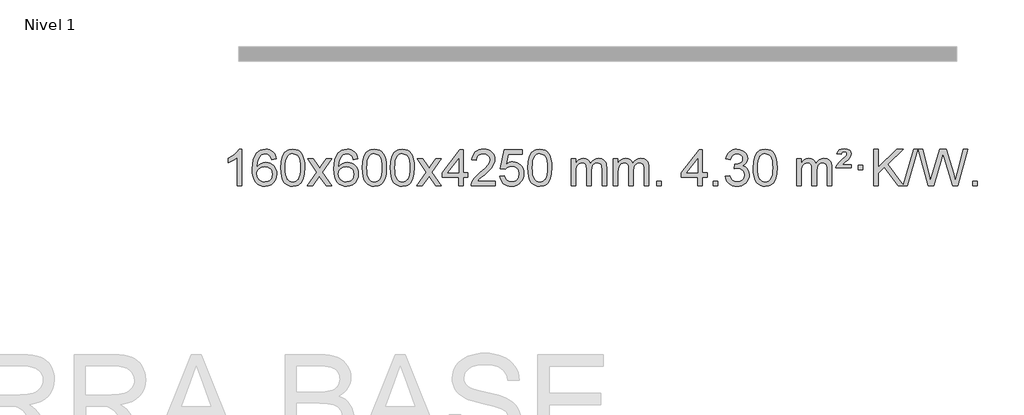
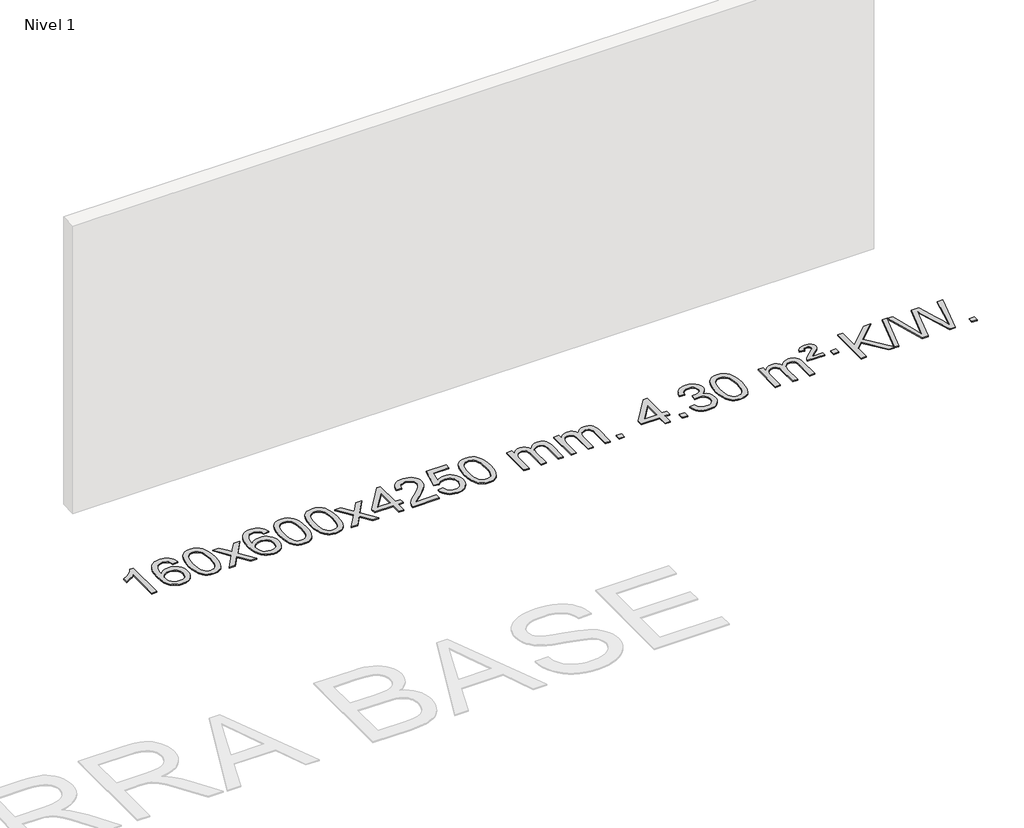
# One storey, part 7 of 25: 1 proxy.
"""IFC4 building model written with IfcOpenShell, lengths in millimetres."""

from ifc_helpers import new_model, si_unit, origin, origin_with_axes, place, context, project, spatial, polyline, outline, extrude, element, save

model = new_model("IFC4")

# Units and contexts
model_context = context("Model", 3, world=origin())
ifc_project = project(units=[si_unit("LENGTHUNIT", "METRE", prefix="MILLI")], contexts=[model_context])

# Site, building, storey
site = spatial("IfcSite", under=ifc_project)
building = spatial("IfcBuilding", under=site)
storey = spatial("IfcBuildingStorey", under=building, Name="Nivel 1", Elevation=0.0)

# Proxy
placement = place(None, origin())
element("IfcBuildingElementProxy", 1, Name="Texto de modelo 1", ObjectType="Texto de modelo 1", at=placement, inside=storey, context=model_context, shape_type="SweptSolid", body=[
    extrude(outline(polyline([(-196.9800865, -48935.579453), (-247.2082415, -48935.579453), (-247.2082415, -48622.4382987), (-268.1775153, -48639.3976587), (-294.7876462, -48656.3324932), (-347.6645517, -48681.6918254), (-347.6645517, -48634.2105225), (-308.2153391, -48612.7507395), (-274.0391017, -48587.219729), (-247.0978769, -48560.0700378), (-229.353702, -48533.7542124), (-196.9800865, -48533.7542124), (-196.9800865, -48935.579453)])), origin_with_axes(), (0.0, 0.0, 1.0), 10.0),
    extrude(outline(polyline([(179.7310766, -48640.4890419), (129.5029215, -48646.7675613), (121.4095176, -48621.874213), (110.4711596, -48604.8780648), (87.6870014, -48589.2062918), (60.1449027, -48583.9823675), (36.7966587, -48587.0235253), (14.8218409, -48596.1469988), (-4.0505055, -48615.3627017), (-19.4647611, -48641.8134171), (-29.8758215, -48679.227016), (-33.7385825, -48731.3313693), (-13.5909119, -48707.8237098), (10.5544098, -48691.2567573), (37.3484817, -48681.434308), (65.4424034, -48678.1601582), (89.5754623, -48680.398107), (111.8445858, -48687.1119534), (132.2497738, -48698.3016975), (150.7910263, -48713.9673391), (166.1991505, -48733.1769106), (177.2049536, -48754.9984443), (183.8084354, -48779.4319401), (186.009596, -48806.4773982), (181.8647922, -48842.4439945), (169.4303807, -48875.786366), (149.7364313, -48904.0642287), (123.8130133, -48924.8372987), (92.8373493, -48937.602804), (57.9866617, -48941.8579724), (28.0441329, -48939.0375437), (1.0017406, -48930.5762579), (-23.1405153, -48916.4741147), (-44.3826349, -48896.7311143), (-61.7006798, -48870.5133908), (-74.0707119, -48836.9870783), (-81.4927311, -48796.1521768), (-83.9667375, -48748.0086864), (-81.2198853, -48694.0342663), (-72.9793286, -48647.9693092), (-59.2450675, -48609.8138149), (-40.0171019, -48579.5677835), (-19.1765868, -48559.5243462), (4.9871289, -48545.2076052), (32.4740453, -48536.6175606), (63.2841624, -48533.7542124), (86.4178085, -48535.5261773), (107.3564254, -48540.8420722), (126.1000131, -48549.7018969), (142.6485715, -48562.1056515), (156.5545109, -48577.6364031), (167.3702416, -48595.8772186), (175.0957635, -48616.8280983), (179.7310766, -48640.4890419)]), holes=[polyline([(-33.7385825, -48805.6925832), (-30.8323147, -48827.9494439), (-22.1135114, -48849.2007605), (-8.575454, -48867.472233), (8.7885762, -48880.7895612), (29.7455872, -48888.9197533), (54.062587, -48891.6298173), (87.2087548, -48886.0134855), (101.1238913, -48878.9930708), (113.2670628, -48869.1644901), (123.1171032, -48856.9262824), (130.1528464, -48842.6769865), (135.7814409, -48808.1451299), (130.2264228, -48774.9989621), (123.2826501, -48761.3781312), (113.5613684, -48749.725469), (101.3814087, -48740.3904634), (87.061602, -48733.7226022), (52.0024479, -48728.3883133), (18.905331, -48733.7226022), (-8.7716577, -48749.725469), (-19.6946873, -48761.2248471), (-27.4968513, -48774.3858254), (-32.1781497, -48789.2084042), (-33.7385825, -48805.6925832)])]), origin_with_axes(), (0.0, 0.0, 1.0), 10.0),
    extrude(outline(polyline([(229.9592317, -48737.9041943), (233.6503144, -48673.5861588), (244.7235624, -48622.2911459), (263.0686112, -48583.2343407), (274.9266742, -48568.0009605), (288.5750962, -48555.6309284), (304.0598626, -48546.0598651), (321.4269584, -48539.2233914), (361.8081387, -48533.7542124), (392.7592773, -48536.991574), (420.4730542, -48546.7036586), (443.6496199, -48562.5103217), (460.9891246, -48584.0314184), (474.0857237, -48611.0830078), (484.5335723, -48643.4811488), (491.3761774, -48684.6226186), (493.6570458, -48737.9041943), (490.0027513, -48801.8543477), (479.0398679, -48853.0267333), (460.8051836, -48892.1203266), (448.9747118, -48907.3996922), (435.3354868, -48919.8341036), (419.8323264, -48929.4695462), (402.4100483, -48936.3520052), (361.8081387, -48941.8579724), (334.1434127, -48939.4667394), (309.6179464, -48932.2930405), (288.2317397, -48920.3368757), (269.9847927, -48903.5982449), (252.4736098, -48873.3399508), (239.9656219, -48835.6381776), (232.4608292, -48790.4929255), (229.9592317, -48737.9041943)]), holes=[polyline([(280.1873867, -48737.8060924), (281.6589147, -48781.4706195), (286.0734987, -48816.8148822), (293.4311386, -48843.8388804), (303.7318344, -48862.5426142), (316.1907713, -48875.2682656), (330.0231344, -48884.3580165), (345.2289235, -48889.8118671), (361.8081387, -48891.6298173), (378.387354, -48889.8057357), (393.5931431, -48884.3334911), (407.4255061, -48875.2130833), (419.8844431, -48862.4445124), (430.1851389, -48843.7101217), (437.5427788, -48816.6922549), (441.9573628, -48781.3909118), (443.4288907, -48737.8060924), (442.0064137, -48695.2973278), (437.7389826, -48660.5753989), (430.6265973, -48633.6403055), (420.669258, -48614.4920476), (408.4187875, -48601.1440625), (394.427009, -48591.6097875), (378.6939223, -48585.8892225), (361.2195276, -48583.9823675), (344.7261514, -48585.6623619), (329.7778797, -48590.7023452), (316.3747123, -48599.1023175), (304.5166494, -48610.8622786), (293.872597, -48631.708925), (286.2697024, -48659.8151094), (281.7079657, -48695.1808319), (280.1873867, -48737.8060924)])]), origin_with_axes(), (0.0, 0.0, 1.0), 10.0),
    extrude(outline(polyline([(518.7711234, -48935.579453), (626.0945641, -48787.1513307), (525.0496427, -48640.4890419), (585.2841881, -48640.4890419), (634.0408152, -48711.2204869), (656.8985498, -48744.4770192), (676.7151266, -48717.2047007), (732.2407824, -48640.4890419), (792.6715315, -48640.4890419), (686.5253132, -48787.2494325), (788.7474569, -48935.579453), (728.4148097, -48935.579453), (666.8068382, -48846.3067555), (655.6232256, -48829.923744), (579.2018724, -48935.579453), (518.7711234, -48935.579453)])), origin_with_axes(), (0.0, 0.0, 1.0), 10.0),
    extrude(outline(polyline([(1077.5593486, -48640.4890419), (1027.3311935, -48646.7675613), (1019.2377896, -48621.874213), (1008.2994316, -48604.8780648), (985.5152734, -48589.2062918), (957.9731747, -48583.9823675), (934.6249307, -48587.0235253), (912.6501129, -48596.1469988), (893.7777665, -48615.3627017), (878.3635109, -48641.8134171), (867.9524504, -48679.227016), (864.0896895, -48731.3313693), (884.2373601, -48707.8237098), (908.3826817, -48691.2567573), (935.1767537, -48681.434308), (963.2706754, -48678.1601582), (987.4037343, -48680.398107), (1009.6728577, -48687.1119534), (1030.0780457, -48698.3016975), (1048.6192983, -48713.9673391), (1064.0274225, -48733.1769106), (1075.0332255, -48754.9984443), (1081.6367073, -48779.4319401), (1083.8378679, -48806.4773982), (1079.6930641, -48842.4439945), (1067.2586527, -48875.786366), (1047.5647032, -48904.0642287), (1021.6412853, -48924.8372987), (990.6656213, -48937.602804), (955.8149336, -48941.8579724), (925.8724049, -48939.0375437), (898.8300126, -48930.5762579), (874.6877566, -48916.4741147), (853.4456371, -48896.7311143), (836.1275922, -48870.5133908), (823.7575601, -48836.9870783), (816.3355408, -48796.1521768), (813.8615344, -48748.0086864), (816.6083866, -48694.0342663), (824.8489433, -48647.9693092), (838.5832045, -48609.8138149), (857.8111701, -48579.5677835), (878.6516851, -48559.5243462), (902.8154009, -48545.2076052), (930.3023173, -48536.6175606), (961.1124344, -48533.7542124), (984.2460805, -48535.5261773), (1005.1846974, -48540.8420722), (1023.928285, -48549.7018969), (1040.4768434, -48562.1056515), (1054.3827829, -48577.6364031), (1065.1985135, -48595.8772186), (1072.9240354, -48616.8280983), (1077.5593486, -48640.4890419)]), holes=[polyline([(864.0896895, -48805.6925832), (866.9959573, -48827.9494439), (875.7147605, -48849.2007605), (889.252818, -48867.472233), (906.6168481, -48880.7895612), (927.5738591, -48888.9197533), (951.890859, -48891.6298173), (985.0370268, -48886.0134855), (998.9521632, -48878.9930708), (1011.0953348, -48869.1644901), (1020.9453752, -48856.9262824), (1027.9811183, -48842.6769865), (1033.6097129, -48808.1451299), (1028.0546947, -48774.9989621), (1021.1109221, -48761.3781312), (1011.3896404, -48749.725469), (999.2096806, -48740.3904634), (984.889874, -48733.7226022), (949.8307198, -48728.3883133), (916.733603, -48733.7226022), (889.0566142, -48749.725469), (878.1335847, -48761.2248471), (870.3314207, -48774.3858254), (865.6501223, -48789.2084042), (864.0896895, -48805.6925832)])]), origin_with_axes(), (0.0, 0.0, 1.0), 10.0),
    extrude(outline(polyline([(1127.7875036, -48737.9041943), (1131.4785863, -48673.5861588), (1142.5518344, -48622.2911459), (1160.8968832, -48583.2343407), (1172.7549462, -48568.0009605), (1186.4033682, -48555.6309284), (1201.8881345, -48546.0598651), (1219.2552304, -48539.2233914), (1259.6364107, -48533.7542124), (1290.5875492, -48536.991574), (1318.3013262, -48546.7036586), (1341.4778919, -48562.5103217), (1358.8173966, -48584.0314184), (1371.9139956, -48611.0830078), (1382.3618443, -48643.4811488), (1389.2044494, -48684.6226186), (1391.4853178, -48737.9041943), (1387.8310233, -48801.8543477), (1376.8681398, -48853.0267333), (1358.6334556, -48892.1203266), (1346.8029838, -48907.3996922), (1333.1637588, -48919.8341036), (1317.6605984, -48929.4695462), (1300.2383202, -48936.3520052), (1259.6364107, -48941.8579724), (1231.9716847, -48939.4667394), (1207.4462183, -48932.2930405), (1186.0600117, -48920.3368757), (1167.8130647, -48903.5982449), (1150.3018817, -48873.3399508), (1137.7938939, -48835.6381776), (1130.2891012, -48790.4929255), (1127.7875036, -48737.9041943)]), holes=[polyline([(1178.0156587, -48737.8060924), (1179.4871867, -48781.4706195), (1183.9017706, -48816.8148822), (1191.2594105, -48843.8388804), (1201.5601064, -48862.5426142), (1214.0190433, -48875.2682656), (1227.8514063, -48884.3580165), (1243.0571955, -48889.8118671), (1259.6364107, -48891.6298173), (1276.215626, -48889.8057357), (1291.4214151, -48884.3334911), (1305.2537781, -48875.2130833), (1317.712715, -48862.4445124), (1328.0134109, -48843.7101217), (1335.3710508, -48816.6922549), (1339.7856347, -48781.3909118), (1341.2571627, -48737.8060924), (1339.8346857, -48695.2973278), (1335.5672545, -48660.5753989), (1328.4548693, -48633.6403055), (1318.4975299, -48614.4920476), (1306.2470595, -48601.1440625), (1292.2552809, -48591.6097875), (1276.5221943, -48585.8892225), (1259.0477995, -48583.9823675), (1242.5544234, -48585.6623619), (1227.6061517, -48590.7023452), (1214.2029843, -48599.1023175), (1202.3449213, -48610.8622786), (1191.7008689, -48631.708925), (1184.0979744, -48659.8151094), (1179.5362376, -48695.1808319), (1178.0156587, -48737.8060924)])]), origin_with_axes(), (0.0, 0.0, 1.0), 10.0),
    extrude(outline(polyline([(1435.4349535, -48737.9041943), (1439.1260362, -48673.5861588), (1450.1992842, -48622.2911459), (1468.544333, -48583.2343407), (1480.402396, -48568.0009605), (1494.050818, -48555.6309284), (1509.5355843, -48546.0598651), (1526.9026802, -48539.2233914), (1567.2838605, -48533.7542124), (1598.2349991, -48536.991574), (1625.948776, -48546.7036586), (1649.1253417, -48562.5103217), (1666.4648464, -48584.0314184), (1679.5614455, -48611.0830078), (1690.0092941, -48643.4811488), (1696.8518992, -48684.6226186), (1699.1327676, -48737.9041943), (1695.4784731, -48801.8543477), (1684.5155897, -48853.0267333), (1666.2809054, -48892.1203266), (1654.4504336, -48907.3996922), (1640.8112086, -48919.8341036), (1625.3080482, -48929.4695462), (1607.8857701, -48936.3520052), (1567.2838605, -48941.8579724), (1539.6191345, -48939.4667394), (1515.0936682, -48932.2930405), (1493.7074615, -48920.3368757), (1475.4605145, -48903.5982449), (1457.9493316, -48873.3399508), (1445.4413437, -48835.6381776), (1437.936551, -48790.4929255), (1435.4349535, -48737.9041943)]), holes=[polyline([(1485.6631085, -48737.8060924), (1487.1346365, -48781.4706195), (1491.5492205, -48816.8148822), (1498.9068604, -48843.8388804), (1509.2075562, -48862.5426142), (1521.6664931, -48875.2682656), (1535.4988562, -48884.3580165), (1550.7046453, -48889.8118671), (1567.2838605, -48891.6298173), (1583.8630758, -48889.8057357), (1599.0688649, -48884.3334911), (1612.9012279, -48875.2130833), (1625.3601648, -48862.4445124), (1635.6608607, -48843.7101217), (1643.0185006, -48816.6922549), (1647.4330846, -48781.3909118), (1648.9046125, -48737.8060924), (1647.4821355, -48695.2973278), (1643.2147043, -48660.5753989), (1636.1023191, -48633.6403055), (1626.1449798, -48614.4920476), (1613.8945093, -48601.1440625), (1599.9027308, -48591.6097875), (1584.1696441, -48585.8892225), (1566.6952493, -48583.9823675), (1550.2018732, -48585.6623619), (1535.2536015, -48590.7023452), (1521.8504341, -48599.1023175), (1509.9923712, -48610.8622786), (1499.3483188, -48631.708925), (1491.7454242, -48659.8151094), (1487.1836875, -48695.1808319), (1485.6631085, -48737.8060924)])]), origin_with_axes(), (0.0, 0.0, 1.0), 10.0),
    extrude(outline(polyline([(1724.2468452, -48935.579453), (1831.5702859, -48787.1513307), (1730.5253645, -48640.4890419), (1790.7599099, -48640.4890419), (1839.516537, -48711.2204869), (1862.3742716, -48744.4770192), (1882.1908484, -48717.2047007), (1937.7165042, -48640.4890419), (1998.1472533, -48640.4890419), (1892.001035, -48787.2494325), (1994.2231787, -48935.579453), (1933.8905315, -48935.579453), (1872.28256, -48846.3067555), (1861.0989474, -48829.923744), (1784.6775942, -48935.579453), (1724.2468452, -48935.579453)])), origin_with_axes(), (0.0, 0.0, 1.0), 10.0),
    extrude(outline(polyline([(2188.8572796, -48935.579453), (2188.8572796, -48841.4016622), (2006.7802174, -48841.4016622), (2006.7802174, -48791.1735072), (2201.4143184, -48540.0327318), (2239.0854347, -48540.0327318), (2239.0854347, -48791.1735072), (2289.3135897, -48791.1735072), (2289.3135897, -48841.4016622), (2239.0854347, -48841.4016622), (2239.0854347, -48935.579453), (2188.8572796, -48935.579453)]), holes=[polyline([(2188.8572796, -48791.1735072), (2188.8572796, -48635.9763561), (2068.5843926, -48791.1735072), (2188.8572796, -48791.1735072)])]), origin_with_axes(), (0.0, 0.0, 1.0), 10.0),
    extrude(outline(polyline([(2590.6825202, -48885.3512979), (2590.6825202, -48935.579453), (2326.984706, -48935.579453), (2328.088352, -48917.8965918), (2332.3803086, -48900.9494945), (2344.7779319, -48873.8856424), (2362.9390397, -48847.6311307), (2389.1935514, -48820.1503456), (2425.8713864, -48789.4076736), (2480.0604042, -48741.2641831), (2512.5443844, -48705.7267824), (2528.7679804, -48676.884834), (2534.1758457, -48648.8277005), (2529.062286, -48623.6768347), (2513.7216068, -48602.7688747), (2490.1403709, -48588.6789943), (2460.3051411, -48583.9823675), (2428.9738578, -48588.5686297), (2404.6323325, -48602.3274163), (2388.9237713, -48624.1796068), (2383.4913805, -48653.0460807), (2333.2632254, -48646.7675613), (2337.5827732, -48620.838012), (2345.4401195, -48598.1826125), (2356.8352643, -48578.8013627), (2371.7682076, -48562.6942627), (2389.8955929, -48550.0329907), (2410.8740637, -48540.989225), (2434.7036199, -48535.5629655), (2461.3842616, -48533.7542124), (2488.3040266, -48535.7653006), (2512.2623416, -48541.7985654), (2533.2592064, -48551.8540066), (2551.2946212, -48565.9316242), (2565.7799748, -48582.9890861), (2576.1266559, -48601.9840598), (2582.3346646, -48622.9165453), (2584.4040008, -48645.7865427), (2582.1721834, -48669.8092369), (2575.4767311, -48693.4149983), (2563.5941426, -48717.4254299), (2545.8009168, -48742.6621347), (2517.437215, -48772.7916701), (2473.8431985, -48811.4805933), (2416.0611998, -48859.795762), (2393.3996689, -48885.3512979), (2590.6825202, -48885.3512979)])), origin_with_axes(), (0.0, 0.0, 1.0), 10.0),
    extrude(outline(polyline([(2640.9106753, -48828.8446235), (2691.1388303, -48822.5661041), (2700.3604057, -48852.7201649), (2716.4491116, -48874.3148381), (2739.3313717, -48887.3010725), (2768.9336096, -48891.6298173), (2788.0634733, -48890.1245668), (2804.9369942, -48885.6088153), (2819.5541721, -48878.0825628), (2831.9150072, -48867.5458094), (2841.7435878, -48854.519721), (2848.7640025, -48839.5254641), (2854.3803343, -48803.6324441), (2849.1196218, -48769.8363514), (2842.5437311, -48755.9181493), (2833.3374842, -48743.9865099), (2821.4702242, -48734.4154467), (2806.9112942, -48727.5789729), (2769.7184245, -48722.1097939), (2745.3523737, -48724.2925604), (2725.621636, -48730.8408599), (2709.8640239, -48740.8717757), (2697.4173497, -48753.5023908), (2647.1891946, -48747.2238715), (2691.1388303, -48540.0327318), (2885.7729313, -48540.0327318), (2885.7729313, -48590.2608869), (2731.7530026, -48590.2608869), (2710.1705922, -48700.919791), (2727.896373, -48688.2155994), (2746.0513495, -48679.1411769), (2764.6355216, -48673.6965234), (2783.6488894, -48671.8816388), (2808.1130421, -48674.1318504), (2830.590632, -48680.882485), (2851.0816591, -48692.1335427), (2869.5861235, -48707.8850234), (2884.9084086, -48727.1743027), (2895.8528979, -48749.038756), (2902.4195915, -48773.4783832), (2904.6084894, -48800.4931844), (2902.6403207, -48826.5147042), (2896.7358147, -48850.7213394), (2886.8949713, -48873.1130902), (2873.1177906, -48893.6899565), (2852.2466188, -48914.7634634), (2827.8928307, -48929.8159684), (2800.0564264, -48938.8474714), (2768.7374059, -48941.8579724), (2742.8170536, -48939.9235262), (2719.4044303, -48934.1201877), (2698.4995359, -48924.447957), (2680.1023705, -48910.9068338), (2664.7954138, -48894.1712688), (2653.1611457, -48874.915712), (2645.1995662, -48853.1401636), (2640.9106753, -48828.8446235)])), origin_with_axes(), (0.0, 0.0, 1.0), 10.0),
    extrude(outline(polyline([(2948.5581251, -48737.9041943), (2952.2492078, -48673.5861588), (2963.3224558, -48622.2911459), (2981.6675047, -48583.2343407), (2993.5255676, -48568.0009605), (3007.1739897, -48555.6309284), (3022.658756, -48546.0598651), (3040.0258518, -48539.2233914), (3080.4070322, -48533.7542124), (3111.3581707, -48536.991574), (3139.0719477, -48546.7036586), (3162.2485134, -48562.5103217), (3179.5880181, -48584.0314184), (3192.6846171, -48611.0830078), (3203.1324658, -48643.4811488), (3209.9750709, -48684.6226186), (3212.2559392, -48737.9041943), (3208.6016448, -48801.8543477), (3197.6387613, -48853.0267333), (3179.4040771, -48892.1203266), (3167.5736052, -48907.3996922), (3153.9343803, -48919.8341036), (3138.4312199, -48929.4695462), (3121.0089417, -48936.3520052), (3080.4070322, -48941.8579724), (3052.7423061, -48939.4667394), (3028.2168398, -48932.2930405), (3006.8306331, -48920.3368757), (2988.5836862, -48903.5982449), (2971.0725032, -48873.3399508), (2958.5645154, -48835.6381776), (2951.0597227, -48790.4929255), (2948.5581251, -48737.9041943)]), holes=[polyline([(2998.7862802, -48737.8060924), (3000.2578082, -48781.4706195), (3004.6723921, -48816.8148822), (3012.030032, -48843.8388804), (3022.3307279, -48862.5426142), (3034.7896648, -48875.2682656), (3048.6220278, -48884.3580165), (3063.8278169, -48889.8118671), (3080.4070322, -48891.6298173), (3096.9862474, -48889.8057357), (3112.1920366, -48884.3334911), (3126.0243996, -48875.2130833), (3138.4833365, -48862.4445124), (3148.7840323, -48843.7101217), (3156.1416722, -48816.6922549), (3160.5562562, -48781.3909118), (3162.0277842, -48737.8060924), (3160.6053071, -48695.2973278), (3156.337876, -48660.5753989), (3149.2254907, -48633.6403055), (3139.2681514, -48614.4920476), (3127.017681, -48601.1440625), (3113.0259024, -48591.6097875), (3097.2928157, -48585.8892225), (3079.818421, -48583.9823675), (3063.3250449, -48585.6623619), (3048.3767731, -48590.7023452), (3034.9736058, -48599.1023175), (3023.1155428, -48610.8622786), (3012.4714904, -48631.708925), (3004.8685958, -48659.8151094), (3000.3068591, -48695.1808319), (2998.7862802, -48737.8060924)])]), origin_with_axes(), (0.0, 0.0, 1.0), 10.0),
    extrude(outline(polyline([(3425.7255983, -48935.579453), (3425.7255983, -48640.4890419), (3475.9537534, -48640.4890419), (3475.9537534, -48689.0494653), (3491.0614407, -48666.7435537), (3510.48561, -48649.2691589), (3533.5640738, -48637.9751816), (3559.6346446, -48634.2105225), (3587.5691507, -48638.048758), (3609.9609015, -48649.5634645), (3626.6872695, -48667.9943524), (3637.6256275, -48692.5811324), (3655.9338882, -48667.0439906), (3676.8173228, -48648.803175), (3700.2759313, -48637.8586857), (3726.3097138, -48634.2105225), (3746.4175306, -48635.7280358), (3764.0666693, -48640.2805755), (3779.25713, -48647.8681416), (3791.9889127, -48658.4907342), (3802.053551, -48672.2709806), (3809.2425783, -48689.3315082), (3813.5559947, -48709.6723168), (3814.9938001, -48733.2934066), (3814.9938001, -48935.579453), (3764.7656451, -48935.579453), (3764.7656451, -48754.875817), (3763.6006854, -48729.8230531), (3760.1058065, -48712.9372695), (3753.5575069, -48701.3735121), (3743.2322856, -48692.2868268), (3729.9517456, -48686.4007149), (3714.53749, -48684.4386776), (3687.3264851, -48689.4663982), (3665.1432008, -48704.54956), (3656.5378278, -48716.1194488), (3650.3911328, -48730.7182326), (3645.4737768, -48769.0024856), (3645.4737768, -48935.579453), (3595.2456217, -48935.579453), (3595.2456217, -48749.2840106), (3592.3393539, -48720.8835206), (3583.6205506, -48700.6254854), (3568.2798714, -48688.4853796), (3545.5079759, -48684.4386776), (3526.157383, -48687.1364789), (3508.327369, -48695.2298828), (3493.6120892, -48708.5226856), (3483.6056989, -48726.8186835), (3477.8667398, -48752.2025411), (3475.9537534, -48786.7589232), (3475.9537534, -48935.579453), (3425.7255983, -48935.579453)])), origin_with_axes(), (0.0, 0.0, 1.0), 10.0),
    extrude(outline(polyline([(3890.3360328, -48935.579453), (3890.3360328, -48640.4890419), (3940.5641878, -48640.4890419), (3940.5641878, -48689.0494653), (3955.6718751, -48666.7435537), (3975.0960444, -48649.2691589), (3998.1745083, -48637.9751816), (4024.245079, -48634.2105225), (4052.1795852, -48638.048758), (4074.5713359, -48649.5634645), (4091.297704, -48667.9943524), (4102.236062, -48692.5811324), (4120.5443226, -48667.0439906), (4141.4277572, -48648.803175), (4164.8863658, -48637.8586857), (4190.9201483, -48634.2105225), (4211.027965, -48635.7280358), (4228.6771037, -48640.2805755), (4243.8675644, -48647.8681416), (4256.5993471, -48658.4907342), (4266.6639854, -48672.2709806), (4273.8530127, -48689.3315082), (4278.1664291, -48709.6723168), (4279.6042346, -48733.2934066), (4279.6042346, -48935.579453), (4229.3760795, -48935.579453), (4229.3760795, -48754.875817), (4228.2111199, -48729.8230531), (4224.7162409, -48712.9372695), (4218.1679414, -48701.3735121), (4207.8427201, -48692.2868268), (4194.56218, -48686.4007149), (4179.1479244, -48684.4386776), (4151.9369195, -48689.4663982), (4129.7536352, -48704.54956), (4121.1482622, -48716.1194488), (4115.0015672, -48730.7182326), (4110.0842112, -48769.0024856), (4110.0842112, -48935.579453), (4059.8560561, -48935.579453), (4059.8560561, -48749.2840106), (4056.9497884, -48720.8835206), (4048.2309851, -48700.6254854), (4032.8903059, -48688.4853796), (4010.1184104, -48684.4386776), (3990.7678174, -48687.1364789), (3972.9378034, -48695.2298828), (3958.2225236, -48708.5226856), (3948.2161333, -48726.8186835), (3942.4771742, -48752.2025411), (3940.5641878, -48786.7589232), (3940.5641878, -48935.579453), (3890.3360328, -48935.579453)])), origin_with_axes(), (0.0, 0.0, 1.0), 10.0),
    extrude(outline(polyline([(4367.503506, -48935.579453), (4367.503506, -48885.3512979), (4417.731661, -48885.3512979), (4417.731661, -48935.579453), (4367.503506, -48935.579453)])), origin_with_axes(), (0.0, 0.0, 1.0), 10.0),
    extrude(outline(polyline([(4819.5569016, -48935.579453), (4819.5569016, -48841.4016622), (4637.4798395, -48841.4016622), (4637.4798395, -48791.1735072), (4832.1139404, -48540.0327318), (4869.7850567, -48540.0327318), (4869.7850567, -48791.1735072), (4920.0132118, -48791.1735072), (4920.0132118, -48841.4016622), (4869.7850567, -48841.4016622), (4869.7850567, -48935.579453), (4819.5569016, -48935.579453)]), holes=[polyline([(4819.5569016, -48791.1735072), (4819.5569016, -48635.9763561), (4699.2840147, -48791.1735072), (4819.5569016, -48791.1735072)])]), origin_with_axes(), (0.0, 0.0, 1.0), 10.0),
    extrude(outline(polyline([(4989.076925, -48935.579453), (4989.076925, -48885.3512979), (5039.3050801, -48885.3512979), (5039.3050801, -48935.579453), (4989.076925, -48935.579453)])), origin_with_axes(), (0.0, 0.0, 1.0), 10.0),
    extrude(outline(polyline([(5120.9258321, -48828.8446235), (5171.1539872, -48822.5661041), (5182.3989135, -48854.1303793), (5198.8677641, -48875.4430095), (5221.3698795, -48887.5831154), (5250.7146, -48891.6298173), (5285.1483547, -48886.0625364), (5299.4221761, -48879.1034354), (5311.7339602, -48869.3606939), (5328.7301084, -48844.4428201), (5334.3954912, -48814.2274455), (5328.7791594, -48785.5449126), (5311.930164, -48762.2825078), (5286.423679, -48746.8682522), (5254.8348783, -48741.730167), (5219.6163087, -48747.2238715), (5225.208115, -48696.9957164), (5233.2524679, -48697.5843276), (5263.3452151, -48693.979084), (5290.2496517, -48683.1633534), (5301.3228998, -48674.9841103), (5309.2323627, -48664.8673555), (5313.9780404, -48652.8130888), (5315.559933, -48638.8213102), (5310.9736708, -48617.1285352), (5297.2148842, -48599.5315131), (5276.221085, -48587.8696539), (5249.9297851, -48583.9823675), (5223.5894342, -48587.9064421), (5202.0560748, -48599.6786659), (5186.3352508, -48619.299039), (5177.4325065, -48646.7675613), (5127.2043515, -48640.4890419), (5133.1579084, -48616.5092672), (5141.9932077, -48595.3867093), (5153.7102492, -48577.1213683), (5168.3090331, -48561.713244), (5185.3297067, -48549.4811677), (5204.3124177, -48540.7439703), (5225.2571659, -48535.5016519), (5248.1639515, -48533.7542124), (5279.7404894, -48537.2000404), (5308.7418534, -48547.5375245), (5333.1937433, -48563.8469596), (5351.1218592, -48585.2086408), (5362.1215309, -48609.8199463), (5365.7880881, -48635.8782543), (5362.3054719, -48660.1584659), (5351.8576232, -48682.1823347), (5334.5916949, -48700.9443165), (5310.6548397, -48715.4388671), (5342.0964876, -48728.1430586), (5365.3956806, -48749.77452), (5379.8166548, -48779.1560286), (5384.6236462, -48815.1103623), (5382.2201505, -48840.5923218), (5375.0096634, -48864.0631931), (5362.9921849, -48885.5229762), (5346.167715, -48904.971671), (5325.6705565, -48921.1094278), (5302.6350122, -48932.636397), (5277.0610822, -48939.5525785), (5248.9487664, -48941.8579724), (5223.5403833, -48939.8898037), (5200.388343, -48933.9852977), (5179.4926457, -48924.1444543), (5160.8532913, -48910.3672736), (5145.2244379, -48893.4630959), (5133.3602435, -48874.2412617), (5125.2607083, -48852.7017708), (5120.9258321, -48828.8446235)])), origin_with_axes(), (0.0, 0.0, 1.0), 10.0),
    extrude(outline(polyline([(5428.5732819, -48737.9041943), (5432.2643646, -48673.5861588), (5443.3376127, -48622.2911459), (5461.6826615, -48583.2343407), (5473.5407245, -48568.0009605), (5487.1891465, -48555.6309284), (5502.6739128, -48546.0598651), (5520.0410087, -48539.2233914), (5560.422189, -48533.7542124), (5591.3733275, -48536.991574), (5619.0871045, -48546.7036586), (5642.2636702, -48562.5103217), (5659.6031749, -48584.0314184), (5672.6997739, -48611.0830078), (5683.1476226, -48643.4811488), (5689.9902277, -48684.6226186), (5692.2710961, -48737.9041943), (5688.6168016, -48801.8543477), (5677.6539181, -48853.0267333), (5659.4192339, -48892.1203266), (5647.5887621, -48907.3996922), (5633.9495371, -48919.8341036), (5618.4463767, -48929.4695462), (5601.0240985, -48936.3520052), (5560.422189, -48941.8579724), (5532.757463, -48939.4667394), (5508.2319966, -48932.2930405), (5486.84579, -48920.3368757), (5468.598843, -48903.5982449), (5451.08766, -48873.3399508), (5438.5796722, -48835.6381776), (5431.0748795, -48790.4929255), (5428.5732819, -48737.9041943)]), holes=[polyline([(5478.801437, -48737.8060924), (5480.272965, -48781.4706195), (5484.6875489, -48816.8148822), (5492.0451888, -48843.8388804), (5502.3458847, -48862.5426142), (5514.8048216, -48875.2682656), (5528.6371846, -48884.3580165), (5543.8429737, -48889.8118671), (5560.422189, -48891.6298173), (5577.0014042, -48889.8057357), (5592.2071934, -48884.3334911), (5606.0395564, -48875.2130833), (5618.4984933, -48862.4445124), (5628.7991892, -48843.7101217), (5636.1568291, -48816.6922549), (5640.571413, -48781.3909118), (5642.042941, -48737.8060924), (5640.6204639, -48695.2973278), (5636.3530328, -48660.5753989), (5629.2406476, -48633.6403055), (5619.2833082, -48614.4920476), (5607.0328378, -48601.1440625), (5593.0410592, -48591.6097875), (5577.3079726, -48585.8892225), (5559.8335778, -48583.9823675), (5543.3402017, -48585.6623619), (5528.3919299, -48590.7023452), (5514.9887626, -48599.1023175), (5503.1306996, -48610.8622786), (5492.4866472, -48631.708925), (5484.8837526, -48659.8151094), (5480.3220159, -48695.1808319), (5478.801437, -48737.8060924)])]), origin_with_axes(), (0.0, 0.0, 1.0), 10.0),
    extrude(outline(polyline([(5905.7407551, -48935.579453), (5905.7407551, -48640.4890419), (5955.9689102, -48640.4890419), (5955.9689102, -48689.0494653), (5971.0765975, -48666.7435537), (5990.5007668, -48649.2691589), (6013.5792306, -48637.9751816), (6039.6498014, -48634.2105225), (6067.5843075, -48638.048758), (6089.9760583, -48649.5634645), (6106.7024264, -48667.9943524), (6117.6407843, -48692.5811324), (6135.949045, -48667.0439906), (6156.8324796, -48648.803175), (6180.2910881, -48637.8586857), (6206.3248707, -48634.2105225), (6226.4326874, -48635.7280358), (6244.0818261, -48640.2805755), (6259.2722868, -48647.8681416), (6272.0040695, -48658.4907342), (6282.0687078, -48672.2709806), (6289.2577351, -48689.3315082), (6293.5711515, -48709.6723168), (6295.008957, -48733.2934066), (6295.008957, -48935.579453), (6244.7808019, -48935.579453), (6244.7808019, -48754.875817), (6243.6158422, -48729.8230531), (6240.1209633, -48712.9372695), (6233.5726638, -48701.3735121), (6223.2474424, -48692.2868268), (6209.9669024, -48686.4007149), (6194.5526468, -48684.4386776), (6167.3416419, -48689.4663982), (6145.1583576, -48704.54956), (6136.5529846, -48716.1194488), (6130.4062896, -48730.7182326), (6125.4889336, -48769.0024856), (6125.4889336, -48935.579453), (6075.2607785, -48935.579453), (6075.2607785, -48749.2840106), (6072.3545107, -48720.8835206), (6063.6357075, -48700.6254854), (6048.2950283, -48688.4853796), (6025.5231328, -48684.4386776), (6006.1725398, -48687.1364789), (5988.3425258, -48695.2298828), (5973.627246, -48708.5226856), (5963.6208557, -48726.8186835), (5957.8818966, -48752.2025411), (5955.9689102, -48786.7589232), (5955.9689102, -48935.579453), (5905.7407551, -48935.579453)])), origin_with_axes(), (0.0, 0.0, 1.0), 10.0),
    extrude(outline(polyline([(6338.9585926, -48734.6668327), (6342.7845654, -48718.8479069), (6351.123224, -48702.9799302), (6372.6320579, -48677.8413272), (6404.5887406, -48650.1030247), (6448.73458, -48612.726214), (6455.8714907, -48601.1992448), (6458.250461, -48589.3779701), (6456.362, -48577.2869152), (6450.6966173, -48567.5012541), (6441.3278892, -48561.026531), (6428.329392, -48558.8682899), (6415.8949806, -48560.4869707), (6407.0412872, -48565.343013), (6400.615615, -48574.8098431), (6395.4652671, -48590.2608869), (6345.237112, -48583.9823675), (6356.0773682, -48558.7701881), (6372.7056343, -48541.2099542), (6396.4708112, -48530.9092583), (6428.7217995, -48527.475693), (6464.5044549, -48531.6082341), (6489.2506504, -48544.0058573), (6503.6716246, -48562.3386434), (6508.478616, -48584.2766731), (6504.3828631, -48607.1834586), (6492.0956045, -48628.8149199), (6471.5677892, -48648.6314968), (6435.0984207, -48676.6886303), (6409.4938339, -48703.2742358), (6508.478616, -48703.2742358), (6508.478616, -48734.6668327), (6338.9585926, -48734.6668327)])), origin_with_axes(), (0.0, 0.0, 1.0), 10.0),
    extrude(outline(polyline([(6583.8208486, -48759.7809102), (6583.8208486, -48709.5527552), (6634.0490037, -48709.5527552), (6634.0490037, -48759.7809102), (6583.8208486, -48759.7809102)])), origin_with_axes(), (0.0, 0.0, 1.0), 10.0),
    extrude(outline(polyline([(7024.6906317, -48935.579453), (6871.1612123, -48732.9009991), (6803.5690271, -48797.4520265), (6803.5690271, -48935.579453), (6753.340872, -48935.579453), (6753.340872, -48533.7542124), (6803.5690271, -48533.7542124), (6803.5690271, -48730.4484525), (7009.5829444, -48533.7542124), (7079.82388, -48533.7542124), (6906.7721895, -48698.9577537), (7081.5232229, -48929.5373449), (7192.8372289, -48533.7542124), (7238.3564945, -48533.7542124), (7125.2450437, -48935.579453), (7086.1023994, -48935.579453), (7079.82388, -48935.579453), (7024.6906317, -48935.579453)])), origin_with_axes(), (0.0, 0.0, 1.0), 10.0),
    extrude(outline(polyline([(7352.6451676, -48935.579453), (7243.065384, -48533.7542124), (7294.8631689, -48533.7542124), (7358.4331777, -48797.844434), (7378.0535508, -48879.3670841), (7399.0473499, -48807.2622131), (7478.7060646, -48533.7542124), (7553.3615842, -48533.7542124), (7611.2416848, -48732.0180823), (7636.0369312, -48805.5944814), (7654.3084037, -48879.3670841), (7673.3401656, -48800.1988788), (7737.4006836, -48533.7542124), (7789.2965704, -48533.7542124), (7679.8148887, -48935.579453), (7626.0550664, -48935.579453), (7529.6209328, -48625.5775584), (7516.1809772, -48582.3146358), (7501.0732899, -48634.4067263), (7413.2721204, -48935.579453), (7352.6451676, -48935.579453)])), origin_with_axes(), (0.0, 0.0, 1.0), 10.0),
    extrude(outline(polyline([(7845.8032449, -48935.579453), (7845.8032449, -48885.3512979), (7896.0314, -48885.3512979), (7896.0314, -48935.579453), (7845.8032449, -48935.579453)])), origin_with_axes(), (0.0, 0.0, 1.0), 10.0),
])

save(model, "model.ifc")
